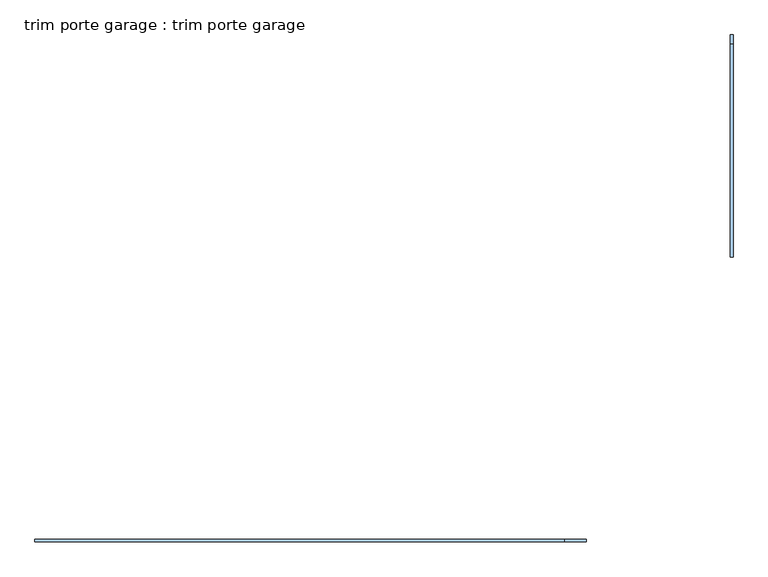
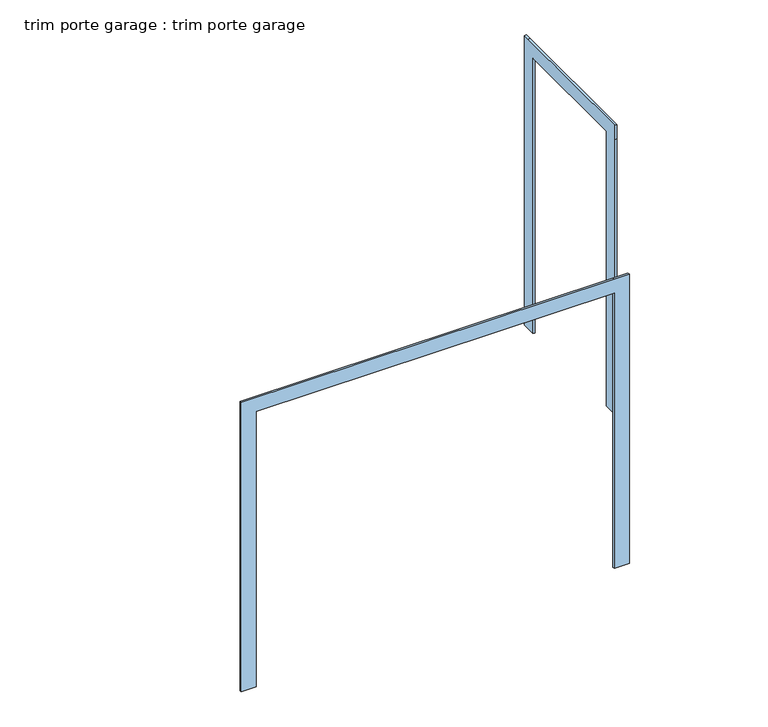
"""IFC4 building model written with IfcOpenShell, lengths in millimetres: window geometry, trim porte garage : trim porte garage."""

from ifc_helpers import new_model, si_unit, frame, origin, place, context, project, spatial, polyline, outline, extrude, source, transform, mapped, element, save


def trim_porte_garage_trim_porte_garage_a6b6ce50(model_context):
    return source(origin(), model_context, "Body", "SweptSolid", [
        extrude(outline(polyline([(-1093.2927416, 115.6083875), (-1093.2927416, 2096.8083875), (-1093.2927416, 2198.4083875), (-67.7677416, 2198.4083875), (-26.4927416, 2198.4083875), (-26.4927416, 115.6083875), (-128.0927416, 115.6083875), (-128.0927416, 2096.8083875), (-991.6927416, 2096.8083875), (-991.6927416, 115.6083875), (-1093.2927416, 115.6083875)])), frame((3426.8287973, 0.0, 0.0), z_axis=(1.0, 0.0, 0.0), x_axis=(0.0, 1.0, 0.0)), (0.0, 0.0, 1.0), 12.7),
        extrude(outline(polyline([(115.6083875, 93.0787973), (115.6083875, 194.6787973), (2096.8083875, 194.6787973), (2096.8083875, 2633.0787973), (115.6083875, 2633.0787973), (115.6083875, 2734.6787973), (2198.4083875, 2734.6787973), (2198.4083875, 2633.0787973), (2198.4083875, 93.0787973), (2096.8083875, 93.0787973), (115.6083875, 93.0787973)])), frame((0.0, -2458.5427416, 0.0), z_axis=(0.0, 1.0, 0.0), x_axis=(0.0, 0.0, 1.0)), (0.0, 0.0, 1.0), 12.7),
    ])


if __name__ == "__main__":
    model = new_model("IFC4")
    model_context = context("Model", 3, world=origin())
    ifc_project = project(units=[si_unit("LENGTHUNIT", "METRE", prefix="MILLI")], contexts=[model_context])
    site = spatial("IfcSite", under=ifc_project)
    building = spatial("IfcBuilding", under=site)
    placement = place(None, origin())
    trim_porte_garage_trim_porte_garage_shape = trim_porte_garage_trim_porte_garage_a6b6ce50(model_context)
    element("IfcWindow", 1, ObjectType="trim porte garage : trim porte garage", at=placement, inside=building, context=model_context, shape_type="MappedRepresentation", body=[
        mapped(trim_porte_garage_trim_porte_garage_shape, transform((0.0, 0.0, 0.0), x_axis=(1.0, 0.0, 0.0), y_axis=(0.0, 1.0, 0.0), z_axis=(0.0, 0.0, 1.0))),
    ])
    save(model, "model.ifc")
